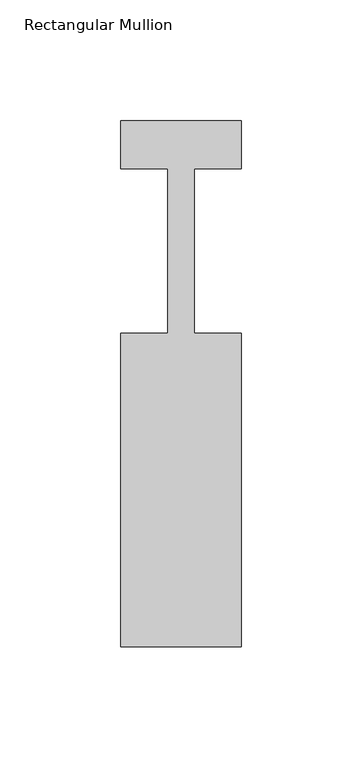
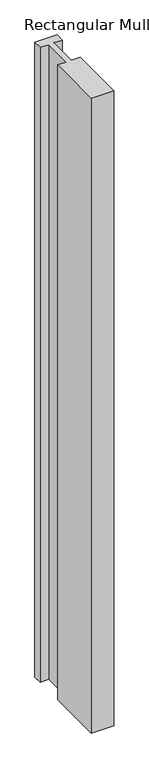
"""IFC4 building model written with IfcOpenShell, lengths in millimetres: member geometry, Rectangular Mullion."""

from ifc_helpers import new_model, si_unit, frame, origin, place, context, project, spatial, polyline, outline, extrude, source, transform, mapped, element, save


def rectangular_mullion_984cecbc(model_context):
    return source(origin(), model_context, "Body", "SweptSolid", [
        extrude(outline(polyline([(25.0, -162.0), (-25.0, -162.0), (-25.0, -32.0), (-5.4999999, -32.0), (-5.4999999, 36.0), (-25.0, 36.0), (-25.0, 56.0), (25.0, 56.0), (25.0, 36.0), (5.5, 36.0), (5.5, -32.0), (25.0, -32.0), (25.0, -162.0)])), frame((0.0, 0.0, -1500.0), z_axis=(0.0, 0.0, 1.0), x_axis=(1.0, 0.0, 0.0)), (0.0, 0.0, 1.0), 1500.0),
    ])


if __name__ == "__main__":
    model = new_model("IFC4")
    model_context = context("Model", 3, world=origin())
    ifc_project = project(units=[si_unit("LENGTHUNIT", "METRE", prefix="MILLI")], contexts=[model_context])
    site = spatial("IfcSite", under=ifc_project)
    building = spatial("IfcBuilding", under=site)
    placement = place(None, origin())
    rectangular_mullion_shape = rectangular_mullion_984cecbc(model_context)
    element("IfcMember", 1, ObjectType="Rectangular Mullion", at=placement, inside=building, context=model_context, shape_type="MappedRepresentation", body=[
        mapped(rectangular_mullion_shape, transform((0.0, 0.0, 0.0), x_axis=(1.0, 0.0, 0.0), y_axis=(0.0, 1.0, 0.0), z_axis=(0.0, 0.0, 1.0))),
    ])
    save(model, "model.ifc")
